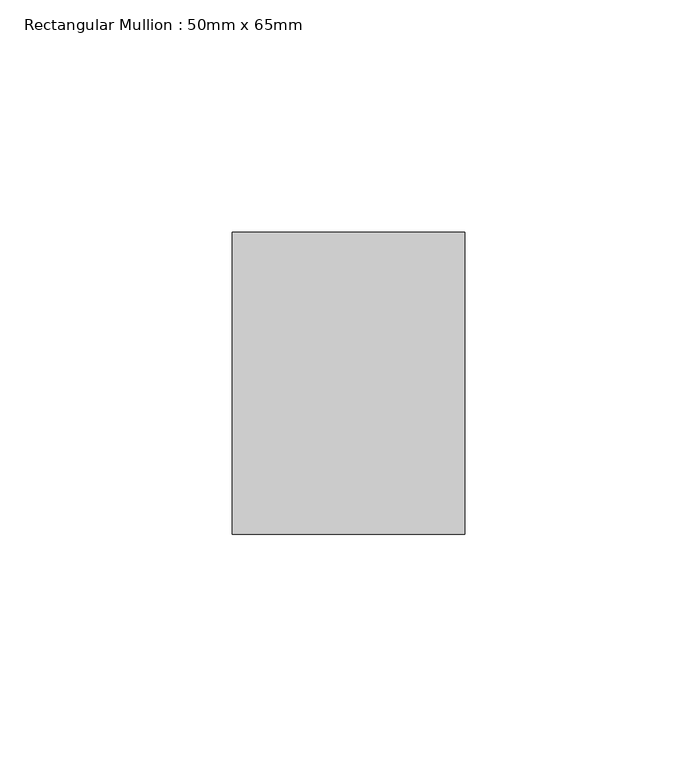
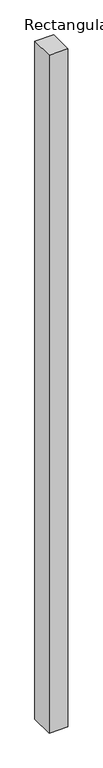
"""IFC4 building model written with IfcOpenShell, lengths in millimetres: member geometry, Rectangular Mullion : 50mm x 65mm."""

from ifc_helpers import new_model, si_unit, frame, origin, place, context, project, spatial, polyline, outline, extrude, source, transform, mapped, element, save


def rectangular_mullion_50mm_x_65mm_2f79e035(model_context):
    return source(origin(), model_context, "Body", "SweptSolid", [
        extrude(outline(polyline([(25.0, 32.5), (25.0, -32.5), (-25.0, -32.5), (-25.0, 32.5), (25.0, 32.5)])), frame((0.0, 0.0, -1897.7010737), z_axis=(0.0, 0.0, 1.0), x_axis=(1.0, 0.0, 0.0)), (0.0, 0.0, 1.0), 1897.7010737),
    ])


if __name__ == "__main__":
    model = new_model("IFC4")
    model_context = context("Model", 3, world=origin())
    ifc_project = project(units=[si_unit("LENGTHUNIT", "METRE", prefix="MILLI")], contexts=[model_context])
    site = spatial("IfcSite", under=ifc_project)
    building = spatial("IfcBuilding", under=site)
    placement = place(None, origin())
    rectangular_mullion_50mm_x_65mm_shape = rectangular_mullion_50mm_x_65mm_2f79e035(model_context)
    element("IfcMember", 1, ObjectType="Rectangular Mullion : 50mm x 65mm", at=placement, inside=building, context=model_context, shape_type="MappedRepresentation", body=[
        mapped(rectangular_mullion_50mm_x_65mm_shape, transform((0.0, 0.0, 0.0), x_axis=(1.0, 0.0, 0.0), y_axis=(0.0, 1.0, 0.0), z_axis=(0.0, 0.0, 1.0))),
    ])
    save(model, "model.ifc")
